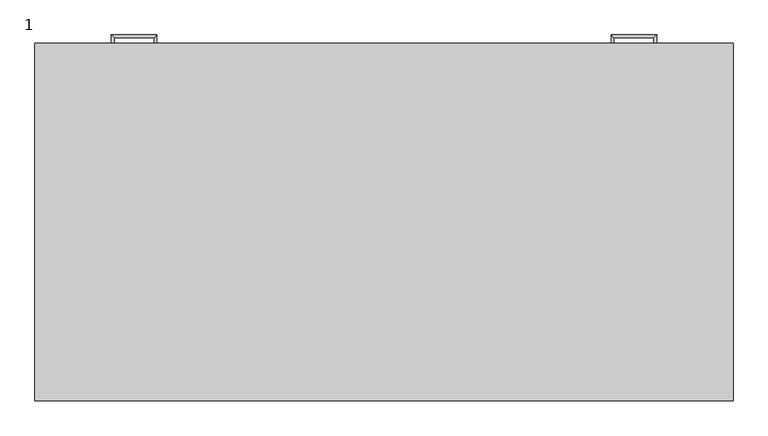
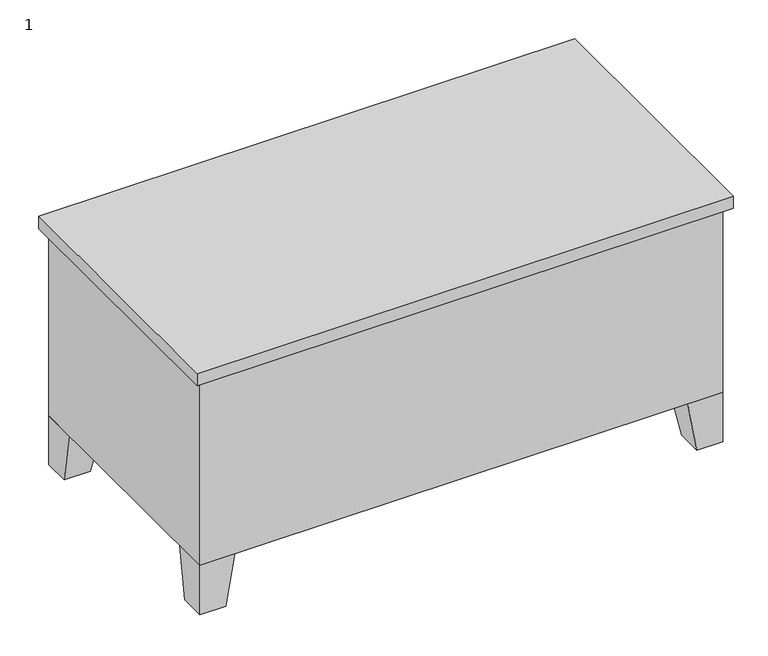
"""IFC4 building model written with IfcOpenShell, lengths in millimetres: furniture geometry, 1."""

from ifc_helpers import new_model, si_unit, frame, origin, place, context, project, spatial, polyline, outline, extrude, faceted_brep, source, transform, mapped, element, save


def furniture_1_1a95c8f8(model_context):
    return source(origin(), model_context, "Body", "SolidModel", [
        extrude(outline(polyline([(406.4, 762.0), (406.4, 50.8), (1118.6, 50.8), (1118.6, 762.0), (1525.0, 762.0), (1525.0, 0.0), (0.0, 0.0), (0.0, 762.0), (406.4, 762.0)])), frame((0.0, 0.0, 152.0), z_axis=(0.0, 0.0, 1.0), x_axis=(1.0, 0.0, 0.0)), (0.0, 0.0, 1.0), 571.9),
        extrude(outline(polyline([(1544.05, 781.05), (1544.05, -19.05), (-19.05, -19.05), (-19.05, 781.05), (1544.05, 781.05)])), frame((0.0, 0.0, 723.9), z_axis=(0.0, 0.0, 1.0), x_axis=(1.0, 0.0, 0.0)), (0.0, 0.0, 1.0), 38.1),
        faceted_brep([(101.6, 762.0, 152.0), (0.0, 762.0, 152.0), (0.0, 660.4, 152.0), (101.6, 660.4, 152.0), (76.2, 762.0, 0.0), (76.2, 685.8, 0.0), (0.0, 685.8, 0.0), (0.0, 762.0, 0.0)], [[[0, 1, 2, 3]], [[4, 5, 6, 7]], [[4, 7, 1, 0]], [[7, 6, 2, 1]], [[6, 5, 3, 2]], [[5, 4, 0, 3]]]),
        faceted_brep([(101.6, 0.0, 152.0), (101.6, 101.6, 152.0), (0.0, 101.6, 152.0), (0.0, 0.0, 152.0), (76.2, 0.0, 0.0), (0.0, 0.0, 0.0), (0.0, 76.2, 0.0), (76.2, 76.2, 0.0)], [[[0, 1, 2, 3]], [[4, 5, 6, 7]], [[4, 7, 1, 0]], [[7, 6, 2, 1]], [[6, 5, 3, 2]], [[5, 4, 0, 3]]]),
        faceted_brep([(1423.4, 0.0, 152.0), (1525.0, 0.0, 152.0), (1525.0, 101.6, 152.0), (1423.4, 101.6, 152.0), (1448.8, 0.0, 0.0), (1448.8, 76.2, 0.0), (1525.0, 76.2, 0.0), (1525.0, 0.0, 0.0)], [[[0, 1, 2, 3]], [[4, 5, 6, 7]], [[4, 7, 1, 0]], [[7, 6, 2, 1]], [[6, 5, 3, 2]], [[5, 4, 0, 3]]]),
        faceted_brep([(1423.4, 762.0, 152.0), (1423.4, 660.4, 152.0), (1525.0, 660.4, 152.0), (1525.0, 762.0, 152.0), (1448.8, 762.0, 0.0), (1525.0, 762.0, 0.0), (1525.0, 685.8, 0.0), (1448.8, 685.8, 0.0)], [[[0, 1, 2, 3]], [[4, 5, 6, 7]], [[4, 7, 1, 0]], [[7, 6, 2, 1]], [[6, 5, 3, 2]], [[5, 4, 0, 3]]]),
        extrude(outline(polyline([(387.35, 762.0), (19.05, 762.0), (19.05, 774.7), (387.35, 774.7), (387.35, 762.0)])), frame((0.0, 0.0, 602.85), z_axis=(0.0, 0.0, 1.0), x_axis=(1.0, 0.0, 0.0)), (0.0, 0.0, 1.0), 102.0),
        extrude(outline(polyline([(387.35, 762.0), (19.05, 762.0), (19.05, 774.7), (387.35, 774.7), (387.35, 762.0)])), frame((0.0, 0.0, 171.05), z_axis=(0.0, 0.0, 1.0), x_axis=(1.0, 0.0, 0.0)), (0.0, 0.0, 1.0), 171.45),
        extrude(outline(polyline([(387.35, 762.0), (19.05, 762.0), (19.05, 774.7), (387.35, 774.7), (387.35, 762.0)])), frame((0.0, 0.0, 482.2), z_axis=(0.0, 0.0, 1.0), x_axis=(1.0, 0.0, 0.0)), (0.0, 0.0, 1.0), 101.6),
        extrude(outline(polyline([(387.35, 762.0), (19.05, 762.0), (19.05, 774.7), (387.35, 774.7), (387.35, 762.0)])), frame((0.0, 0.0, 361.55), z_axis=(0.0, 0.0, 1.0), x_axis=(1.0, 0.0, 0.0)), (0.0, 0.0, 1.0), 101.6),
        extrude(outline(polyline([(1505.95, 762.0), (1137.65, 762.0), (1137.65, 774.7), (1505.95, 774.7), (1505.95, 762.0)])), frame((0.0, 0.0, 603.25), z_axis=(0.0, 0.0, 1.0), x_axis=(1.0, 0.0, 0.0)), (0.0, 0.0, 1.0), 101.6),
        extrude(outline(polyline([(1505.95, 762.0), (1137.65, 762.0), (1137.65, 774.7), (1505.95, 774.7), (1505.95, 762.0)])), frame((0.0, 0.0, 171.05), z_axis=(0.0, 0.0, 1.0), x_axis=(1.0, 0.0, 0.0)), (0.0, 0.0, 1.0), 413.15),
        faceted_brep([(158.75, 774.7, 304.8), (152.4, 774.7, 304.8), (152.4, 774.7, 292.1), (158.75, 774.7, 292.1), (158.75, 793.75, 304.8), (152.4, 800.1, 304.8), (152.4, 800.1, 292.1), (158.75, 793.75, 292.1), (247.65, 793.75, 304.8), (254.0, 800.1, 304.8), (254.0, 800.1, 292.1), (247.65, 793.75, 292.1), (247.65, 774.7, 304.8), (247.65, 774.7, 292.1), (254.0, 774.7, 292.1), (254.0, 774.7, 304.8)], [[[0, 1, 2, 3]], [[1, 0, 4, 5]], [[2, 1, 5, 6]], [[3, 2, 6, 7]], [[0, 3, 7, 4]], [[5, 4, 8, 9]], [[6, 5, 9, 10]], [[7, 6, 10, 11]], [[4, 7, 11, 8]], [[12, 13, 14, 15]], [[9, 8, 12, 15]], [[10, 9, 15, 14]], [[11, 10, 14, 13]], [[8, 11, 13, 12]]]),
        faceted_brep([(158.75, 774.7, 425.45), (152.4, 774.7, 425.45), (152.4, 774.7, 412.75), (158.75, 774.7, 412.75), (158.75, 793.75, 425.45), (152.4, 800.1, 425.45), (152.4, 800.1, 412.75), (158.75, 793.75, 412.75), (247.65, 793.75, 425.45), (254.0, 800.1, 425.45), (254.0, 800.1, 412.75), (247.65, 793.75, 412.75), (247.65, 774.7, 425.45), (247.65, 774.7, 412.75), (254.0, 774.7, 412.75), (254.0, 774.7, 425.45)], [[[0, 1, 2, 3]], [[1, 0, 4, 5]], [[2, 1, 5, 6]], [[3, 2, 6, 7]], [[0, 3, 7, 4]], [[5, 4, 8, 9]], [[6, 5, 9, 10]], [[7, 6, 10, 11]], [[4, 7, 11, 8]], [[12, 13, 14, 15]], [[9, 8, 12, 15]], [[10, 9, 15, 14]], [[11, 10, 14, 13]], [[8, 11, 13, 12]]]),
        faceted_brep([(158.75, 774.7, 546.1), (152.4, 774.7, 546.1), (152.4, 774.7, 533.4), (158.75, 774.7, 533.4), (158.75, 793.75, 546.1), (152.4, 800.1, 546.1), (152.4, 800.1, 533.4), (158.75, 793.75, 533.4), (247.65, 793.75, 546.1), (254.0, 800.1, 546.1), (254.0, 800.1, 533.4), (247.65, 793.75, 533.4), (247.65, 774.7, 546.1), (247.65, 774.7, 533.4), (254.0, 774.7, 533.4), (254.0, 774.7, 546.1)], [[[0, 1, 2, 3]], [[1, 0, 4, 5]], [[2, 1, 5, 6]], [[3, 2, 6, 7]], [[0, 3, 7, 4]], [[5, 4, 8, 9]], [[6, 5, 9, 10]], [[7, 6, 10, 11]], [[4, 7, 11, 8]], [[12, 13, 14, 15]], [[9, 8, 12, 15]], [[10, 9, 15, 14]], [[11, 10, 14, 13]], [[8, 11, 13, 12]]]),
        faceted_brep([(158.75, 774.7, 666.75), (152.4, 774.7, 666.75), (152.4, 774.7, 654.05), (158.75, 774.7, 654.05), (158.75, 793.75, 666.75), (152.4, 800.1, 666.75), (152.4, 800.1, 654.05), (158.75, 793.75, 654.05), (247.65, 793.75, 666.75), (254.0, 800.1, 666.75), (254.0, 800.1, 654.05), (247.65, 793.75, 654.05), (247.65, 774.7, 666.75), (247.65, 774.7, 654.05), (254.0, 774.7, 654.05), (254.0, 774.7, 666.75)], [[[0, 1, 2, 3]], [[1, 0, 4, 5]], [[2, 1, 5, 6]], [[3, 2, 6, 7]], [[0, 3, 7, 4]], [[5, 4, 8, 9]], [[6, 5, 9, 10]], [[7, 6, 10, 11]], [[4, 7, 11, 8]], [[12, 13, 14, 15]], [[9, 8, 12, 15]], [[10, 9, 15, 14]], [[11, 10, 14, 13]], [[8, 11, 13, 12]]]),
        faceted_brep([(1366.25, 774.7, 546.1), (1366.25, 774.7, 533.4), (1372.6, 774.7, 533.4), (1372.6, 774.7, 546.1), (1366.25, 793.75, 546.1), (1366.25, 793.75, 533.4), (1372.6, 800.1, 533.4), (1372.6, 800.1, 546.1), (1277.35, 793.75, 546.1), (1277.35, 793.75, 533.4), (1271.0, 800.1, 533.4), (1271.0, 800.1, 546.1), (1277.35, 774.7, 546.1), (1271.0, 774.7, 546.1), (1271.0, 774.7, 533.4), (1277.35, 774.7, 533.4)], [[[0, 1, 2, 3]], [[1, 0, 4, 5]], [[2, 1, 5, 6]], [[3, 2, 6, 7]], [[0, 3, 7, 4]], [[5, 4, 8, 9]], [[6, 5, 9, 10]], [[7, 6, 10, 11]], [[4, 7, 11, 8]], [[12, 13, 14, 15]], [[9, 8, 12, 15]], [[10, 9, 15, 14]], [[11, 10, 14, 13]], [[8, 11, 13, 12]]]),
        faceted_brep([(1366.25, 774.7, 666.75), (1366.25, 774.7, 654.05), (1372.6, 774.7, 654.05), (1372.6, 774.7, 666.75), (1366.25, 793.75, 666.75), (1366.25, 793.75, 654.05), (1372.6, 800.1, 654.05), (1372.6, 800.1, 666.75), (1277.35, 793.75, 666.75), (1277.35, 793.75, 654.05), (1271.0, 800.1, 654.05), (1271.0, 800.1, 666.75), (1277.35, 774.7, 666.75), (1271.0, 774.7, 666.75), (1271.0, 774.7, 654.05), (1277.35, 774.7, 654.05)], [[[0, 1, 2, 3]], [[1, 0, 4, 5]], [[2, 1, 5, 6]], [[3, 2, 6, 7]], [[0, 3, 7, 4]], [[5, 4, 8, 9]], [[6, 5, 9, 10]], [[7, 6, 10, 11]], [[4, 7, 11, 8]], [[12, 13, 14, 15]], [[9, 8, 12, 15]], [[10, 9, 15, 14]], [[11, 10, 14, 13]], [[8, 11, 13, 12]]]),
    ])


if __name__ == "__main__":
    model = new_model("IFC4")
    model_context = context("Model", 3, world=origin())
    ifc_project = project(units=[si_unit("LENGTHUNIT", "METRE", prefix="MILLI")], contexts=[model_context])
    site = spatial("IfcSite", under=ifc_project)
    building = spatial("IfcBuilding", under=site)
    placement = place(None, origin())
    furniture_1_shape = furniture_1_1a95c8f8(model_context)
    element("IfcFurniture", 1, ObjectType="1", at=placement, inside=building, context=model_context, shape_type="MappedRepresentation", body=[
        mapped(furniture_1_shape, transform((0.0, 0.0, 0.0), x_axis=(1.0, 0.0, 0.0), y_axis=(0.0, 1.0, 0.0), z_axis=(0.0, 0.0, 1.0))),
    ])
    save(model, "model.ifc")
